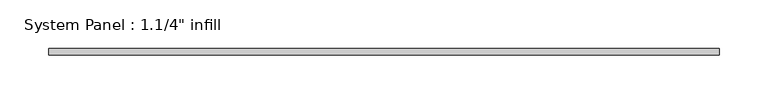
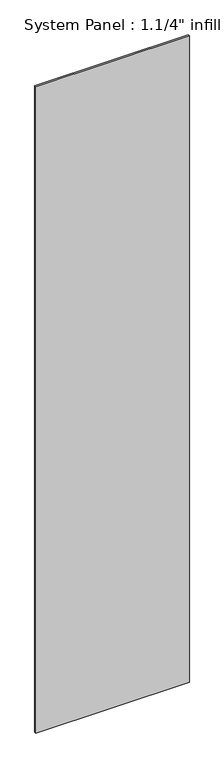
"""IFC4 building model written with IfcOpenShell, lengths in millimetres: plate geometry."""

from ifc_helpers import new_model, si_unit, origin, origin_with_axes, place, context, project, spatial, polyline, outline, extrude, source, transform, mapped, element, save


def plate_8d207ba8(model_context):
    return source(origin(), model_context, "Body", "SweptSolid", [
        extrude(outline(polyline([(342.9, 0.0), (-342.9, 0.0), (-342.9, 6.35), (342.9, 6.35), (342.9, 0.0)])), origin_with_axes(), (0.0, 0.0, 1.0), 3048.0),
    ])


if __name__ == "__main__":
    model = new_model("IFC4")
    model_context = context("Model", 3, world=origin())
    ifc_project = project(units=[si_unit("LENGTHUNIT", "METRE", prefix="MILLI")], contexts=[model_context])
    site = spatial("IfcSite", under=ifc_project)
    building = spatial("IfcBuilding", under=site)
    placement = place(None, origin())
    plate_shape = plate_8d207ba8(model_context)
    element("IfcPlate", 1, ObjectType="System Panel : 1.1/4\" infill", at=placement, inside=building, context=model_context, shape_type="MappedRepresentation", body=[
        mapped(plate_shape, transform((0.0, 0.0, 0.0), x_axis=(1.0, 0.0, 0.0), y_axis=(0.0, 1.0, 0.0), z_axis=(0.0, 0.0, 1.0))),
    ])
    save(model, "model.ifc")
